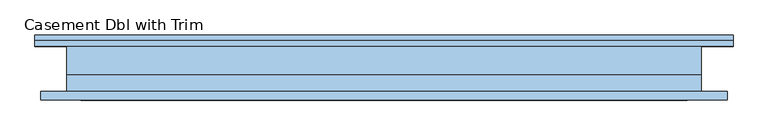
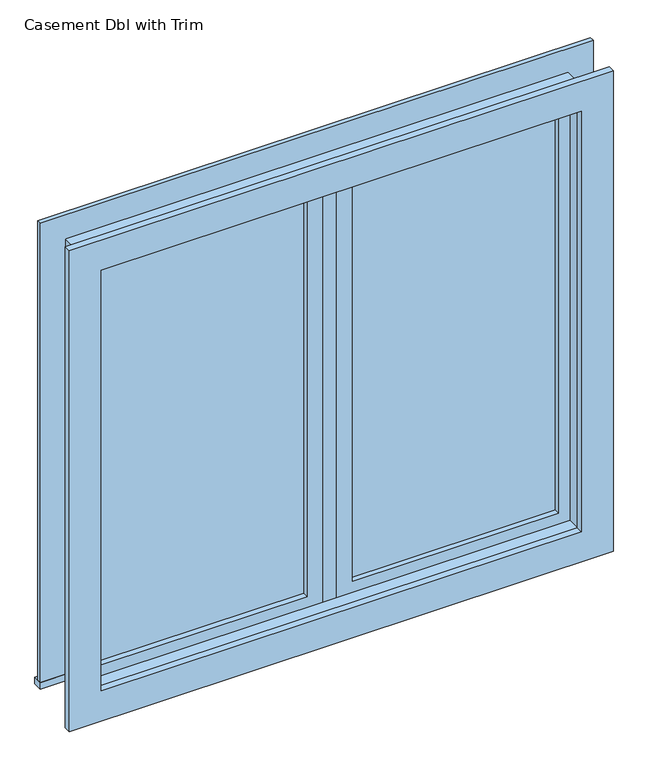
"""IFC4 building model written with IfcOpenShell, lengths in millimetres: window geometry, Casement Dbl with Trim."""

from ifc_helpers import new_model, si_unit, frame, origin, place, context, project, spatial, polyline, outline, extrude, source, transform, mapped, element, save


def casement_dbl_with_trim_8743e6e0(model_context):
    return source(origin(), model_context, "Body", "SweptSolid", [
        extrude(outline(polyline([(63.5, 34.125), (636.5, 34.125), (636.5, 21.425), (63.5, 21.425), (63.5, 34.125)])), frame((0.0, 0.0, 977.9), z_axis=(0.0, 0.0, 1.0), x_axis=(1.0, 0.0, 0.0)), (0.0, 0.0, 1.0), 1173.0),
        extrude(outline(polyline([(2195.35, 19.05), (933.45, 19.05), (933.45, 680.95), (2195.35, 680.95), (2195.35, 19.05)]), holes=[polyline([(2150.9, 63.5), (2150.9, 636.5), (977.9, 636.5), (977.9, 63.5), (2150.9, 63.5)])]), frame((0.0, 5.55, 0.0), z_axis=(0.0, 1.0, 0.0), x_axis=(0.0, 0.0, 1.0)), (0.0, 0.0, 1.0), 44.45),
        extrude(outline(polyline([(19.05, 5.55), (-19.05, 5.55), (-19.05, 69.05), (19.05, 69.05), (19.05, 5.55)])), frame((0.0, 0.0, 933.45), z_axis=(0.0, 0.0, 1.0), x_axis=(1.0, 0.0, 0.0)), (0.0, 0.0, 1.0), 1261.9),
        extrude(outline(polyline([(-769.85, 94.45), (769.85, 94.45), (769.85, 69.05), (-769.85, 69.05), (-769.85, 94.45)])), frame((0.0, 0.0, 914.4), z_axis=(0.0, 0.0, 1.0), x_axis=(1.0, 0.0, 0.0)), (0.0, 0.0, 1.0), 19.05),
        extrude(outline(polyline([(2195.35, -680.95), (2195.35, 680.95), (933.45, 680.95), (933.45, 769.85), (2284.25, 769.85), (2284.25, -769.85), (933.45, -769.85), (933.45, -680.95), (2195.35, -680.95)])), frame((0.0, 69.05, 0.0), z_axis=(0.0, 1.0, 0.0), x_axis=(0.0, 0.0, 1.0)), (0.0, 0.0, 1.0), 12.7),
        extrude(outline(polyline([(2271.55, 757.15), (2271.55, -757.15), (857.25, -757.15), (857.25, 757.15), (2271.55, 757.15)]), holes=[polyline([(2182.65, 668.25), (946.15, 668.25), (946.15, -668.25), (2182.65, -668.25), (2182.65, 668.25)])]), frame((0.0, -50.0, 0.0), z_axis=(0.0, 1.0, 0.0), x_axis=(0.0, 0.0, 1.0)), (0.0, 0.0, 1.0), 19.05),
        extrude(outline(polyline([(-63.5, 21.425), (-636.5, 21.425), (-636.5, 34.125), (-63.5, 34.125), (-63.5, 21.425)])), frame((0.0, 0.0, 977.9), z_axis=(0.0, 0.0, 1.0), x_axis=(1.0, 0.0, 0.0)), (0.0, 0.0, 1.0), 1173.0),
        extrude(outline(polyline([(2195.35, -680.95), (933.45, -680.95), (933.45, -19.05), (2195.35, -19.05), (2195.35, -680.95)]), holes=[polyline([(2150.9, -636.5), (2150.9, -63.5), (977.9, -63.5), (977.9, -636.5), (2150.9, -636.5)])]), frame((0.0, 5.55, 0.0), z_axis=(0.0, 1.0, 0.0), x_axis=(0.0, 0.0, 1.0)), (0.0, 0.0, 1.0), 44.45),
        extrude(outline(polyline([(2214.4, -700.0), (914.4, -700.0), (914.4, 700.0), (2214.4, 700.0), (2214.4, -700.0)]), holes=[polyline([(2182.65, -668.25), (2182.65, 668.25), (946.15, 668.25), (946.15, -668.25), (2182.65, -668.25)])]), frame((0.0, -30.95, 0.0), z_axis=(0.0, 1.0, 0.0), x_axis=(0.0, 0.0, 1.0)), (0.0, 0.0, 1.0), 36.5),
        extrude(outline(polyline([(2214.4, 700.0), (2214.4, -700.0), (914.4, -700.0), (914.4, 700.0), (2214.4, 700.0)]), holes=[polyline([(2195.35, 680.95), (933.45, 680.95), (933.45, -680.95), (2195.35, -680.95), (2195.35, 680.95)])]), frame((0.0, 5.55, 0.0), z_axis=(0.0, 1.0, 0.0), x_axis=(0.0, 0.0, 1.0)), (0.0, 0.0, 1.0), 63.5),
    ])


if __name__ == "__main__":
    model = new_model("IFC4")
    model_context = context("Model", 3, world=origin())
    ifc_project = project(units=[si_unit("LENGTHUNIT", "METRE", prefix="MILLI")], contexts=[model_context])
    site = spatial("IfcSite", under=ifc_project)
    building = spatial("IfcBuilding", under=site)
    placement = place(None, origin())
    casement_dbl_with_trim_shape = casement_dbl_with_trim_8743e6e0(model_context)
    element("IfcWindow", 1, ObjectType="Casement Dbl with Trim", at=placement, inside=building, context=model_context, shape_type="MappedRepresentation", body=[
        mapped(casement_dbl_with_trim_shape, transform((0.0, 0.0, 0.0), x_axis=(1.0, 0.0, 0.0), y_axis=(0.0, 1.0, 0.0), z_axis=(0.0, 0.0, 1.0))),
    ])
    save(model, "model.ifc")
